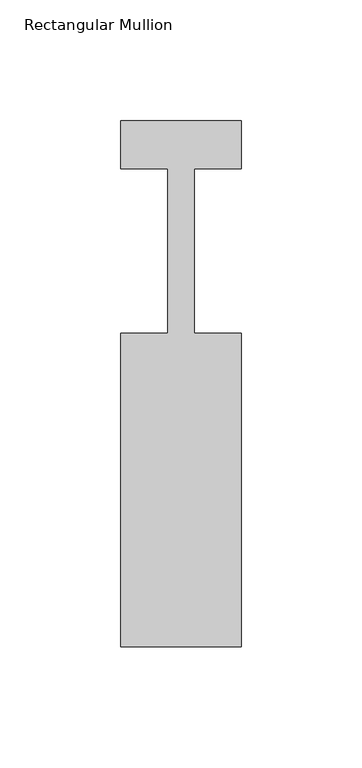
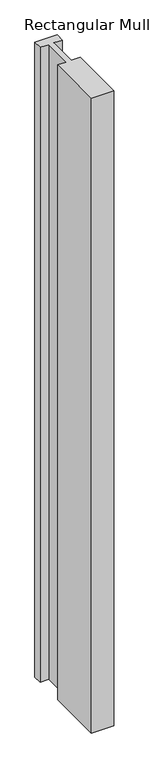
"""IFC4 building model written with IfcOpenShell, lengths in millimetres: member geometry, Rectangular Mullion."""

from ifc_helpers import new_model, si_unit, frame, origin, place, context, project, spatial, polyline, outline, extrude, source, transform, mapped, element, save


def rectangular_mullion_88667211(model_context):
    return source(origin(), model_context, "Body", "SweptSolid", [
        extrude(outline(polyline([(-50.0, -162.0), (-50.0, -32.0), (-30.5, -32.0), (-30.5, 36.0), (-50.0, 36.0), (-50.0, 56.0), (0.0, 56.0), (0.0, 36.0), (-19.5000001, 36.0), (-19.5000001, -32.0), (0.0, -32.0), (0.0, -162.0), (-50.0, -162.0)])), frame((0.0, 0.0, -1500.0), z_axis=(0.0, 0.0, 1.0), x_axis=(1.0, 0.0, 0.0)), (0.0, 0.0, 1.0), 1500.0),
    ])


if __name__ == "__main__":
    model = new_model("IFC4")
    model_context = context("Model", 3, world=origin())
    ifc_project = project(units=[si_unit("LENGTHUNIT", "METRE", prefix="MILLI")], contexts=[model_context])
    site = spatial("IfcSite", under=ifc_project)
    building = spatial("IfcBuilding", under=site)
    placement = place(None, origin())
    rectangular_mullion_shape = rectangular_mullion_88667211(model_context)
    element("IfcMember", 1, ObjectType="Rectangular Mullion", at=placement, inside=building, context=model_context, shape_type="MappedRepresentation", body=[
        mapped(rectangular_mullion_shape, transform((0.0, 0.0, 0.0), x_axis=(1.0, 0.0, 0.0), y_axis=(0.0, 1.0, 0.0), z_axis=(0.0, 0.0, 1.0))),
    ])
    save(model, "model.ifc")
